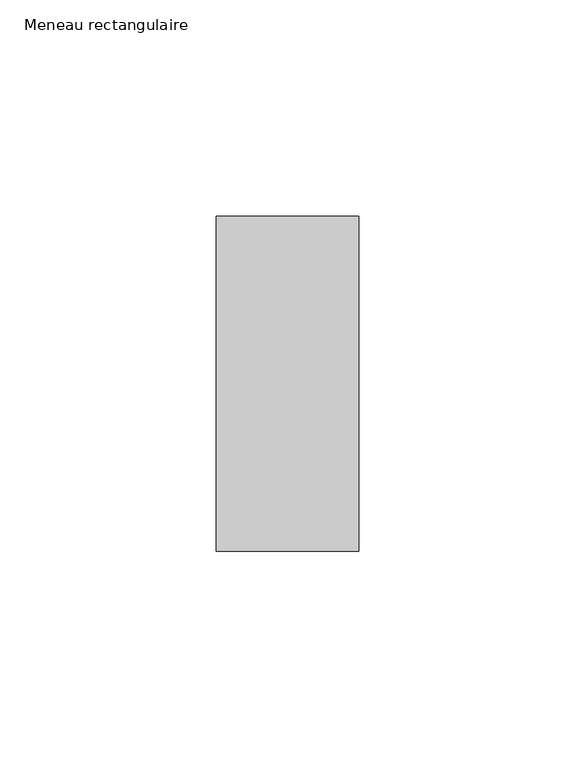
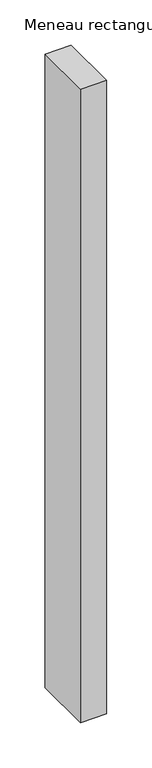
"""IFC4 building model written with IfcOpenShell, lengths in millimetres: member geometry, Meneau rectangulaire."""

from ifc_helpers import new_model, si_unit, frame, origin, place, context, project, spatial, polyline, outline, extrude, source, transform, mapped, element, save


def meneau_rectangulaire_c1f69aca(model_context):
    return source(origin(), model_context, "Body", "SweptSolid", [
        extrude(outline(polyline([(0.0, 38.75), (0.0, -38.75), (-33.0, -38.75), (-33.0, 38.75), (0.0, 38.75)])), frame((0.0, 0.0, -850.7695155), z_axis=(0.0, 0.0, 1.0), x_axis=(1.0, 0.0, 0.0)), (0.0, 0.0, 1.0), 850.7695155),
    ])


if __name__ == "__main__":
    model = new_model("IFC4")
    model_context = context("Model", 3, world=origin())
    ifc_project = project(units=[si_unit("LENGTHUNIT", "METRE", prefix="MILLI")], contexts=[model_context])
    site = spatial("IfcSite", under=ifc_project)
    building = spatial("IfcBuilding", under=site)
    placement = place(None, origin())
    meneau_rectangulaire_shape = meneau_rectangulaire_c1f69aca(model_context)
    element("IfcMember", 1, ObjectType="Meneau rectangulaire", at=placement, inside=building, context=model_context, shape_type="MappedRepresentation", body=[
        mapped(meneau_rectangulaire_shape, transform((0.0, 0.0, 0.0), x_axis=(1.0, 0.0, 0.0), y_axis=(0.0, 1.0, 0.0), z_axis=(0.0, 0.0, 1.0))),
    ])
    save(model, "model.ifc")
